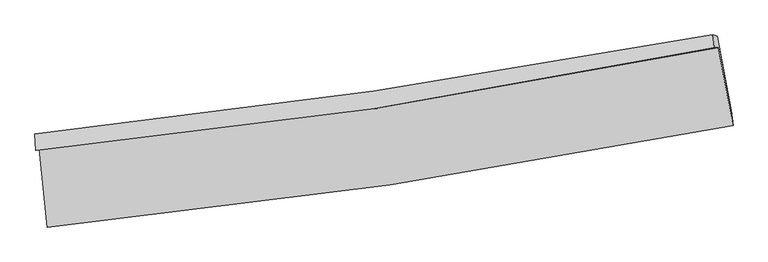
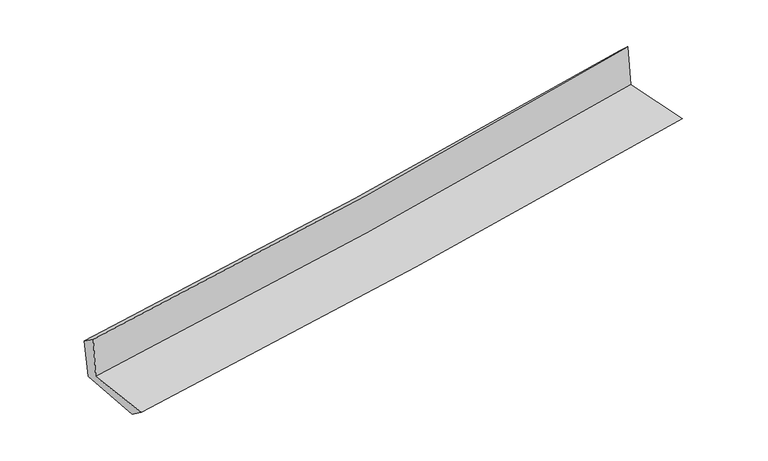
"""IFC4 building model written with IfcOpenShell, lengths in millimetres: proxy geometry."""

from ifc_helpers import new_model, si_unit, frame, origin, place, context, project, spatial, source, transform, mapped, element, save
from ifc_brep_helpers import plane_surface, spline_curve, spline_surface, advanced_brep


def generic_models_54dadd59(model_context):
    return source(origin(), model_context, "Body", "AdvancedBrep", [
        advanced_brep(
        [(-2920.5534166, -1899.0011719, 1618.8359186), (-2854.7203645, -2568.3723169, 1624.8880748), (3001.1470063, -1701.1082616, 2123.6333851), (2875.7303216, -1034.6540773, 2123.1786731), (-2952.2579297, -1914.1869765, 2026.646878), (2841.5715494, -1035.5352672, 2531.3704876), (-2958.4592242, -1770.1442004, 1927.5290158), (2829.4125988, -924.1407292, 2426.5985326), (-2926.4192368, -1783.4837495, 1550.3078325), (2864.754761, -937.0735742, 2035.257772), (-2860.4069371, -2425.0480644, 1520.3236973), (2985.4188574, -1570.9848382, 2019.3802637)],
        [
            (0, 1),
            (1, 2, spline_curve(3, [(-2854.7203645, -2568.3723169, 1624.8880748), (-1877.974153477, -2471.32753123, 1727.447171929), (-903.489883683, -2350.903272952, 1820.166339487), (1048.501157005, -2062.17960559, 1986.568124152), (2025.972677706, -1893.515845752, 2060.097393203), (3001.1470063, -1701.1082616, 2123.6333851)], [4, 2, 4], [0.0, 9.663205534478033, 19.401416822741684])),
            (2, 3),
            (3, 0, spline_curve(3, [(2875.7303216, -1034.6540773, 2123.1786731), (1911.813448355, -1224.393570093, 2052.060704009), (944.952663267, -1391.483478465, 1974.285034744), (-987.187090892, -1679.251616348, 1806.068620043), (-1952.420885204, -1800.277406523, 1715.730037824), (-2920.5534166, -1899.0011719, 1618.8359186)], [4, 2, 4], [0.0, 9.738211288263651, 19.401416822741684])),
            (4, 0),
            (3, 5),
            (5, 4, spline_curve(3, [(2841.5715494, -1035.5352672, 2531.3704876), (1879.438949917, -1235.738489115, 2460.00704877), (913.67295878, -1409.241321641, 2382.077135428), (-1017.659289019, -1701.715504432, 2213.735168742), (-1983.1697909, -1821.096575263, 2123.423879128), (-2952.2579297, -1914.1869765, 2026.646878)], [4, 2, 4], [0.0, 9.689983513838639, 19.305332734364953])),
            (6, 4),
            (5, 7),
            (7, 6, spline_curve(3, [(2829.4125988, -924.1407292, 2426.5985326), (1866.307779805, -1102.169203024, 2348.01985424), (900.557875729, -1261.885761615, 2266.97109296), (-1028.773321218, -1543.605920646, 2100.576683965), (-1992.314024653, -1665.89051895, 2015.268939545), (-2958.4592242, -1770.1442004, 1927.5290158)], [4, 2, 4], [0.0, 9.679819696914358, 19.2850833843744])),
            (8, 6),
            (7, 9),
            (9, 8, spline_curve(3, [(2864.754761, -937.0735742, 2035.257772), (1901.45299263, -1115.157611398, 1954.233368822), (935.327681215, -1274.935998912, 1873.152219544), (-995.106978723, -1556.791822072, 1711.501369014), (-1959.373000189, -1679.150159758, 1630.932538478), (-2926.4192368, -1783.4837495, 1550.3078325)], [4, 2, 4], [0.0, 9.671269142469956, 19.2680481336563])),
            (10, 8),
            (9, 11),
            (11, 10, spline_curve(3, [(2985.4188574, -1570.9848382, 2019.3802637), (2010.459369788, -1741.038751001, 1939.397627546), (1033.938134654, -1897.460293213, 1857.650688548), (-914.694428384, -2181.938845517, 1691.271426618), (-1886.781791742, -2310.205044971, 1606.666176737), (-2860.4069371, -2425.0480644, 1520.3236973)], [4, 2, 4], [0.0, 9.718783129644153, 19.3627101452711])),
            (1, 10),
            (11, 2),
        ],
        [
            spline_surface(3, 3, [[(-2920.5534166, -1899.0011719, 1618.8359186), (-1952.420885052, -1800.277406367, 1715.730037815), (-987.187090815, -1679.25161647, 1806.068620125), (944.95266319, -1391.483478342, 1974.285034662), (1911.81344837, -1224.393570036, 2052.060703881), (2875.7303216, -1034.6540773, 2123.1786731)], [(-2898.609065891, -2122.124886923, 1620.853304008), (-1927.605307824, -2023.960781393, 1719.635749186), (-959.288021832, -1903.135501919, 1810.767859927), (979.468827807, -1615.048854121, 1978.379397813), (1949.866524859, -1447.434328649, 2054.739600363), (2917.535883188, -1256.805472094, 2123.330243795)], [(-2876.664715209, -2345.248601877, 1622.870689392), (-1902.789730623, -2247.64415635, 1723.541460533), (-931.388952775, -2127.019387391, 1815.467099726), (1013.984992498, -1838.614229923, 1982.47376096), (1987.919601283, -1670.47508718, 2057.418496759), (2959.341444712, -1478.956866806, 2123.481814405)], [(-2854.7203645, -2568.3723169, 1624.8880748), (-1877.974153395, -2471.327531376, 1727.447171904), (-903.489883792, -2350.903272841, 1820.166339528), (1048.501157116, -2062.179605702, 1986.568124111), (2025.972677771, -1893.515845793, 2060.097393241), (3001.1470063, -1701.1082616, 2123.6333851)]], [4, 4], [4, 2, 4], [0.0, 2.2237773531622946], [0.0, 9.663205534478033, 19.401416822741684]),
            spline_surface(3, 3, [[(-2952.2579297, -1914.1869765, 2026.646878), (-1983.169790818, -1821.096575165, 2123.423879036), (-1017.659289013, -1701.715504552, 2213.735168901), (913.672958774, -1409.241321521, 2382.077135268), (1879.438949995, -1235.738489027, 2460.007048641), (2841.5715494, -1035.5352672, 2531.3704876)], [(-2941.689758663, -1909.125041616, 1890.709891531), (-1972.920155558, -1814.156852214, 1987.52593196), (-1007.501889609, -1694.227541849, 2077.846319317), (924.099526917, -1403.322040452, 2246.146435075), (1890.230449445, -1231.956849344, 2324.024933723), (2852.957806792, -1035.241537214, 2395.306549435)], [(-2931.121587637, -1904.063106784, 1754.772905069), (-1962.670520311, -1807.217129317, 1851.627984891), (-997.344490219, -1686.739579173, 1941.957469708), (934.526095047, -1397.402759411, 2110.215734855), (1901.02194892, -1228.175209719, 2188.042818799), (2864.344064208, -1034.947807286, 2259.242611265)], [(-2920.5534166, -1899.0011719, 1618.8359186), (-1952.420885052, -1800.277406367, 1715.730037815), (-987.187090815, -1679.25161647, 1806.068620125), (944.95266319, -1391.483478342, 1974.285034662), (1911.81344837, -1224.393570036, 2052.060703881), (2875.7303216, -1034.6540773, 2123.1786731)]], [4, 4], [4, 2, 4], [0.0, 1.3431456751798652], [0.0, 9.615349220526314, 19.305332734364953]),
            spline_surface(3, 3, [[(-2958.4592242, -1770.1442004, 1927.5290158), (-1992.314024624, -1665.890518969, 2015.268939516), (-1028.773321124, -1543.605920608, 2100.576683834), (900.557875634, -1261.885761653, 2266.971093092), (1866.307779797, -1102.169202951, 2348.019854389), (2829.4125988, -924.1407292, 2426.5985326)], [(-2956.39212605, -1818.158459094, 1960.568303192), (-1989.265946705, -1717.625871029, 2051.320586015), (-1025.068643738, -1596.309115259, 2138.296178875), (904.929570029, -1311.004281612, 2305.339773836), (1870.684836516, -1146.692298309, 2385.348919121), (2833.465582319, -961.272241866, 2461.522517581)], [(-2954.32502785, -1866.172717806, 1993.607590608), (-1986.217868737, -1769.361223105, 2087.372232537), (-1021.363966398, -1649.0123099, 2176.015673859), (909.301264379, -1360.122801562, 2343.708454524), (1875.061893276, -1191.21539367, 2422.677983909), (2837.518565881, -998.403754534, 2496.446502619)], [(-2952.2579297, -1914.1869765, 2026.646878), (-1983.169790818, -1821.096575165, 2123.423879036), (-1017.659289013, -1701.715504552, 2213.735168901), (913.672958774, -1409.241321521, 2382.077135268), (1879.438949995, -1235.738489027, 2460.007048641), (2841.5715494, -1035.5352672, 2531.3704876)]], [4, 4], [4, 2, 4], [0.0, 0.6267110676175851], [0.0, 9.605263687460042, 19.2850833843744]),
            spline_surface(3, 3, [[(-2926.4192368, -1783.4837495, 1550.3078325), (-1959.373000149, -1679.150159624, 1630.932538547), (-995.106978823, -1556.791822057, 1711.501368966), (935.327681316, -1274.935998927, 1873.152219592), (1901.45299259, -1115.157611394, 1954.23336898), (2864.754761, -937.0735742, 2035.257772)], [(-2937.099232573, -1779.037233149, 1676.048226946), (-1970.353341613, -1674.730279421, 1759.044672216), (-1006.329092917, -1552.39652157, 1841.193140585), (923.737746095, -1270.585919832, 2004.425177422), (1889.737921688, -1110.828141927, 2085.495530775), (2852.974040295, -932.76262588, 2165.704692192)], [(-2947.779228427, -1774.590716751, 1801.788621354), (-1981.33368316, -1670.310399172, 1887.156805847), (-1017.55120703, -1548.001221094, 1970.884912215), (912.147810855, -1266.235840748, 2135.698135263), (1878.0228507, -1106.498672418, 2216.757692594), (2841.193319505, -928.45167752, 2296.151612408)], [(-2958.4592242, -1770.1442004, 1927.5290158), (-1992.314024624, -1665.890518969, 2015.268939516), (-1028.773321124, -1543.605920608, 2100.576683834), (900.557875634, -1261.885761653, 2266.971093092), (1866.307779797, -1102.169202951, 2348.019854389), (2829.4125988, -924.1407292, 2426.5985326)]], [4, 4], [4, 2, 4], [0.0, 1.289951561901045], [0.0, 9.596778991186344, 19.2680481336563]),
            spline_surface(3, 3, [[(-2860.4069371, -2425.0480644, 1520.3236973), (-1886.781791702, -2310.20504499, 1606.666176625), (-914.694428532, -2181.938845386, 1691.271426477), (1033.938134803, -1897.460293345, 1857.65068869), (2010.459369791, -1741.038750922, 1939.397627607), (2985.4188574, -1570.9848382, 2019.3802637)], [(-2882.411036998, -2211.193292755, 1530.31840904), (-1910.978861182, -2099.853416524, 1614.754963939), (-941.498611988, -1973.556504296, 1698.014740614), (1001.067983615, -1689.952195226, 1862.817865632), (1974.123910723, -1532.411704421, 1944.342874736), (2945.197491932, -1359.681083542, 2024.672766472)], [(-2904.415136902, -1997.338521145, 1540.31312076), (-1935.175930669, -1889.501788091, 1622.843751233), (-968.302795368, -1765.174163147, 1704.758054829), (968.197832504, -1482.444097047, 1867.985042651), (1937.788451658, -1323.784657895, 1949.28812185), (2904.976126468, -1148.377328858, 2029.965269228)], [(-2926.4192368, -1783.4837495, 1550.3078325), (-1959.373000149, -1679.150159624, 1630.932538547), (-995.106978823, -1556.791822057, 1711.501368966), (935.327681316, -1274.935998927, 1873.152219592), (1901.45299259, -1115.157611394, 1954.23336898), (2864.754761, -937.0735742, 2035.257772)]], [4, 4], [4, 2, 4], [0.0, 2.068496029527891], [0.0, 9.643927015626948, 19.3627101452711]),
            spline_surface(3, 3, [[(-2854.7203645, -2568.3723169, 1624.8880748), (-1877.974153395, -2471.327531376, 1727.447171904), (-903.489883792, -2350.903272841, 1820.166339528), (1048.501157116, -2062.179605702, 1986.568124111), (2025.972677771, -1893.515845793, 2060.097393241), (3001.1470063, -1701.1082616, 2123.6333851)], [(-2856.615888726, -2520.597566063, 1590.033282282), (-1880.910032857, -2417.62003591, 1687.186840126), (-907.224732015, -2294.58179702, 1777.201368512), (1043.646816368, -2007.273168247, 1943.595645638), (2020.801575085, -1842.690147474, 2019.864138021), (2995.904289974, -1657.733787105, 2088.882344625)], [(-2858.511412874, -2472.822815237, 1555.178489818), (-1883.84591224, -2363.912540456, 1646.926508403), (-910.959580309, -2238.260321207, 1734.236397493), (1038.79247555, -1952.3667308, 1900.623167163), (2015.630472477, -1791.864449241, 1979.630882827), (2990.661573726, -1614.359312695, 2054.131304175)], [(-2860.4069371, -2425.0480644, 1520.3236973), (-1886.781791702, -2310.20504499, 1606.666176625), (-914.694428532, -2181.938845386, 1691.271426477), (1033.938134803, -1897.460293345, 1857.65068869), (2010.459369791, -1741.038750922, 1939.397627607), (2985.4188574, -1570.9848382, 2019.3802637)]], [4, 4], [4, 2, 4], [0.0, 0.6929770657827394], [0.0, 9.700191817366244, 19.475676475863796]),
            plane_surface(frame((2899.6725157, -1200.5827913, 2209.9031857), z_axis=(0.979401283098169, 0.18436482770164966, 0.08235737351446755), x_axis=(-0.08989572844337006, 0.0328957666660624, 0.9954077689786673))),
            plane_surface(frame((-2912.1361848, -2060.0394133, 1711.4219028), z_axis=(-0.9918753360087873, -0.09828183002676642, -0.08077128019317947), x_axis=(-0.0978743937837916, 0.9951580995252464, -0.008997776989634486))),
        ],
        [
            (0, [[1, 2, 3, 4]]),
            (1, [[5, -4, 6, 7]]),
            (2, [[8, -7, 9, 10]]),
            (3, [[11, -10, 12, 13]]),
            (4, [[14, -13, 15, 16]]),
            (5, [[17, -16, 18, -2]]),
            (6, [[-12, -9, -6, -3, -18, -15]]),
            (7, [[-1, -5, -8, -11, -14, -17]]),
        ],
    ),
    ])


if __name__ == "__main__":
    model = new_model("IFC4")
    model_context = context("Model", 3, world=origin())
    ifc_project = project(units=[si_unit("LENGTHUNIT", "METRE", prefix="MILLI")], contexts=[model_context])
    site = spatial("IfcSite", under=ifc_project)
    building = spatial("IfcBuilding", under=site)
    placement = place(None, origin())
    generic_models_shape = generic_models_54dadd59(model_context)
    element("IfcBuildingElementProxy", 1, Name="Generic Models", at=placement, inside=building, context=model_context, shape_type="MappedRepresentation", body=[
        mapped(generic_models_shape, transform((0.0, 0.0, 0.0), x_axis=(1.0, 0.0, 0.0), y_axis=(0.0, 1.0, 0.0), z_axis=(0.0, 0.0, 1.0))),
    ])
    save(model, "model.ifc")
